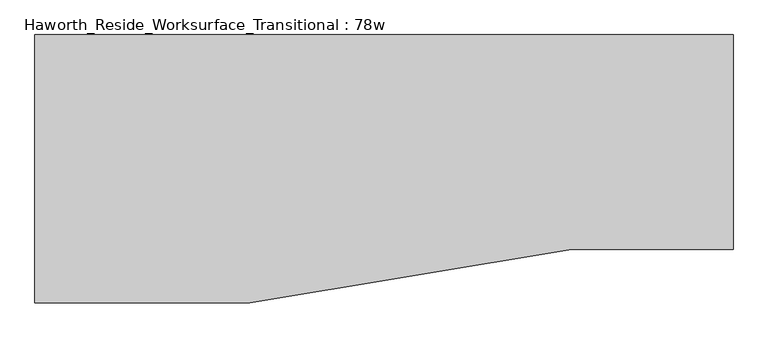
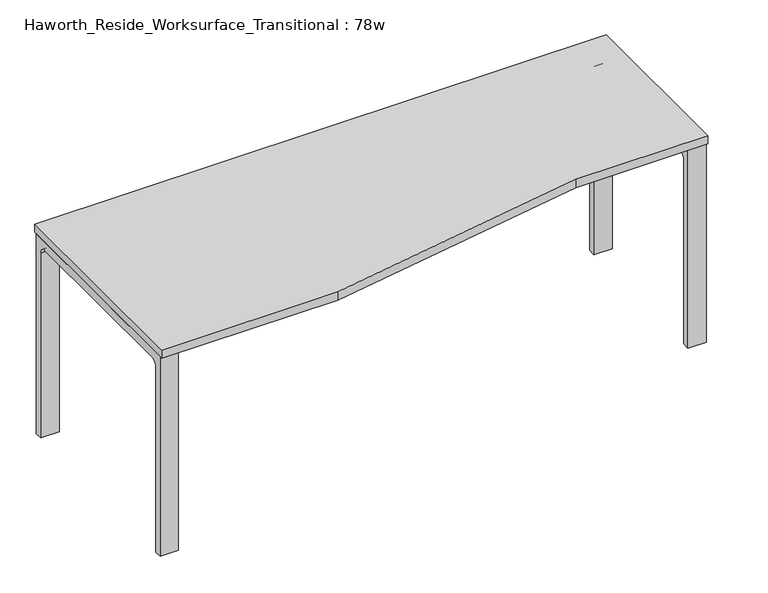
"""IFC4 building model written with IfcOpenShell, lengths in millimetres: furniture geometry, Haworth_Reside_Worksurface_Transitional : 78w."""

from ifc_helpers import new_model, si_unit, point, frame, frame_2d, origin, place, context, project, spatial, polyline, circle_curve, trimmed, segment, composite_curve, outline, extrude, source, transform, mapped, element, save


def haworth_reside_worksurface_transitional_78w_43bbafc8(model_context):
    return source(origin(), model_context, "Body", "SweptSolid", [
        extrude(outline(composite_curve([segment(trimmed(circle_curve(frame_2d((396.875, 676.275)), 25.4), [point((422.275, 676.275))], [point((396.875, 701.675))], True, "CARTESIAN"), True, "CONTINUOUS"), segment(polyline([(396.875, 701.675), (-92.075, 701.675)]), True, "CONTINUOUS"), segment(trimmed(circle_curve(frame_2d((-92.075, 676.275)), 25.4), [point((-92.075, 701.675))], [point((-117.475, 676.275))], True, "CARTESIAN"), True, "CONTINUOUS"), segment(polyline([(-117.475, 676.275), (-117.475, 0.0), (-142.875, 0.0), (-142.875, 731.8375), (447.675, 731.8375), (447.675, 0.0), (422.275, 0.0), (422.275, 676.275)]), True, "CONTINUOUS")], self_intersect=False)), frame((927.1, 0.0, 0.0), z_axis=(1.0, 0.0, 0.0), x_axis=(0.0, 1.0, 0.0)), (0.0, 0.0, 1.0), 63.5),
        extrude(outline(composite_curve([segment(trimmed(circle_curve(frame_2d((396.875, 676.275)), 25.4), [point((422.275, 676.275))], [point((396.875, 701.675))], True, "CARTESIAN"), True, "CONTINUOUS"), segment(polyline([(396.875, 701.675), (-244.475, 701.675)]), True, "CONTINUOUS"), segment(trimmed(circle_curve(frame_2d((-244.475, 676.275)), 25.4), [point((-244.475, 701.675))], [point((-269.875, 676.275))], True, "CARTESIAN"), True, "CONTINUOUS"), segment(polyline([(-269.875, 676.275), (-269.875, 0.0), (-295.275, 0.0), (-295.275, 731.8375), (447.675, 731.8375), (447.675, 0.0), (422.275, 0.0), (422.275, 676.275)]), True, "CONTINUOUS")], self_intersect=False)), frame((-990.6, 0.0, 0.0), z_axis=(1.0, 0.0, 0.0), x_axis=(0.0, 1.0, 0.0)), (0.0, 0.0, 1.0), 63.5),
        extrude(outline(polyline([(-990.6, 457.2), (990.6, 457.2), (990.6, -152.4), (533.4, -152.4), (-381.0, -304.8), (-990.6, -304.8), (-990.6, 457.2)])), frame((0.0, 0.0, 731.8375), z_axis=(0.0, 0.0, 1.0), x_axis=(1.0, 0.0, 0.0)), (0.0, 0.0, 1.0), 30.1625),
    ])


if __name__ == "__main__":
    model = new_model("IFC4")
    model_context = context("Model", 3, world=origin())
    ifc_project = project(units=[si_unit("LENGTHUNIT", "METRE", prefix="MILLI")], contexts=[model_context])
    site = spatial("IfcSite", under=ifc_project)
    building = spatial("IfcBuilding", under=site)
    placement = place(None, origin())
    haworth_reside_worksurface_transitional_78w_shape = haworth_reside_worksurface_transitional_78w_43bbafc8(model_context)
    element("IfcFurniture", 1, ObjectType="Haworth_Reside_Worksurface_Transitional : 78w", at=placement, inside=building, context=model_context, shape_type="MappedRepresentation", body=[
        mapped(haworth_reside_worksurface_transitional_78w_shape, transform((0.0, 0.0, 0.0), x_axis=(1.0, 0.0, 0.0), y_axis=(0.0, 1.0, 0.0), z_axis=(0.0, 0.0, 1.0))),
    ])
    save(model, "model.ifc")
